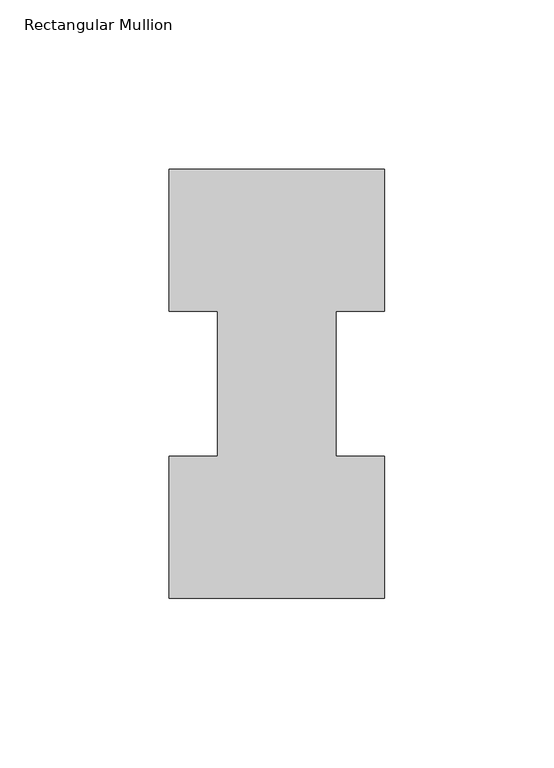
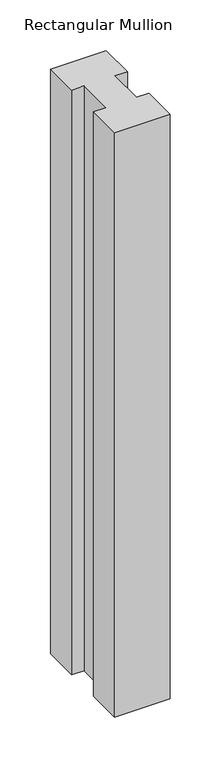
"""IFC4 building model written with IfcOpenShell, lengths in millimetres: member geometry, Rectangular Mullion."""

from ifc_helpers import new_model, si_unit, frame, origin, place, context, project, spatial, polyline, outline, extrude, source, transform, mapped, element, save


def rectangular_mullion_126f3404(model_context):
    return source(origin(), model_context, "Body", "SweptSolid", [
        extrude(outline(polyline([(-63.5, 0.2967757), (-63.5, 42.1178757), (-49.2125, 42.1178757), (-49.2125, 84.93125), (-63.5, 84.93125), (-63.5, 126.7887757), (0.0, 126.7887757), (0.0, 84.93125), (-14.2748, 84.93125), (-14.2748, 42.1178757), (0.0, 42.1178757), (0.0, 0.2967757), (-63.5, 0.2967757)])), frame((0.0, 0.0, -704.81825), z_axis=(0.0, 0.0, 1.0), x_axis=(1.0, 0.0, 0.0)), (0.0, 0.0, 1.0), 704.81825),
    ])


if __name__ == "__main__":
    model = new_model("IFC4")
    model_context = context("Model", 3, world=origin())
    ifc_project = project(units=[si_unit("LENGTHUNIT", "METRE", prefix="MILLI")], contexts=[model_context])
    site = spatial("IfcSite", under=ifc_project)
    building = spatial("IfcBuilding", under=site)
    placement = place(None, origin())
    rectangular_mullion_shape = rectangular_mullion_126f3404(model_context)
    element("IfcMember", 1, ObjectType="Rectangular Mullion", at=placement, inside=building, context=model_context, shape_type="MappedRepresentation", body=[
        mapped(rectangular_mullion_shape, transform((0.0, 0.0, 0.0), x_axis=(1.0, 0.0, 0.0), y_axis=(0.0, 1.0, 0.0), z_axis=(0.0, 0.0, 1.0))),
    ])
    save(model, "model.ifc")
